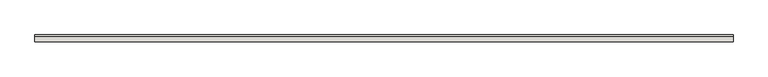
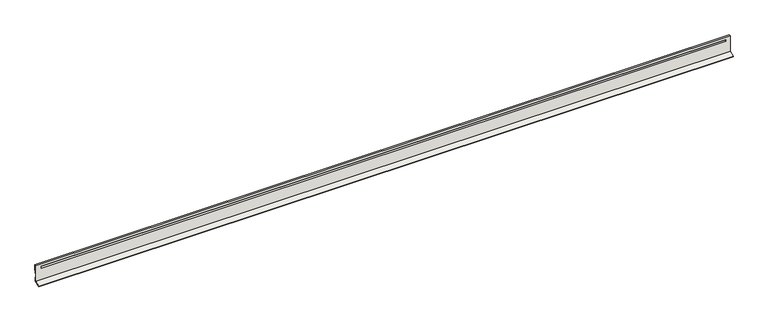
"""IFC4 building model written with IfcOpenShell, lengths in millimetres: wall geometry."""

from ifc_helpers import new_model, si_unit, origin, place, context, project, spatial, faceted_brep, source, transform, mapped, element, save


def wall_bc021bc2(model_context):
    return source(origin(), model_context, "Body", "Brep", [
        faceted_brep([(56541.7544752, 123881.2581237, 14954.3809416), (56541.7866735, 123859.3282852, 14717.3740882), (56541.794657, 123818.1797969, 14658.6079572), (56541.8422107, 123836.5243825, 14308.5724159), (56541.8585699, 123868.7902507, 14188.1545574), (56541.8772214, 123491.5850031, 14050.8630763), (56541.8704287, 123482.7686541, 14100.8630758), (56541.8552303, 123790.1388803, 14212.736688), (56541.7219682, 123790.1388803, 15193.6605164), (56541.7219682, 123881.2581237, 15193.6605164), (97880.3258361, 123491.5850031, 14056.4790556), (97880.3071845, 123868.7902507, 14193.7705367), (97880.2908253, 123836.5243825, 14314.1883952), (97880.2432717, 123818.1797969, 14664.2239365), (97880.2352881, 123859.3282852, 14722.9900675), (97880.2030899, 123881.2581237, 14959.9969209), (97880.1705829, 123881.2581237, 15199.2764956), (97880.1705829, 123790.1388803, 15199.2764956), (97880.303845, 123790.1388803, 14218.3526673), (97880.3190434, 123482.7686541, 14106.4790551), (56863.441328, 123881.2581237, 14954.424644), (97615.9681797, 123881.2581237, 14959.9610235), (56863.441328, 123790.1388803, 15043.3648953), (97615.9681797, 123790.1388803, 15048.9012749), (97615.9681797, 123790.1388803, 14948.0506052), (56863.441328, 123790.1388803, 14942.5142255), (97615.9681797, 123881.2581237, 15060.8116933), (56863.441328, 123881.2581237, 15055.2753136)], [[[0, 1, 2, 3, 4, 5, 6, 7, 8, 9]], [[10, 11, 12, 13, 14, 15, 16, 17, 18, 19]], [[1, 0, 20, 21, 15, 14]], [[2, 1, 14, 13]], [[3, 2, 13, 12]], [[4, 3, 12, 11]], [[5, 4, 11, 10]], [[7, 6, 19, 18]], [[8, 7, 18, 17], [22, 23, 24, 25]], [[9, 8, 17, 16]], [[0, 9, 16, 15, 21, 26, 27, 20]], [[6, 5, 10, 19]], [[26, 23, 22, 27]], [[20, 25, 24, 21]], [[27, 22, 25, 20]], [[23, 26, 21, 24]]]),
    ])


if __name__ == "__main__":
    model = new_model("IFC4")
    model_context = context("Model", 3, world=origin())
    ifc_project = project(units=[si_unit("LENGTHUNIT", "METRE", prefix="MILLI")], contexts=[model_context])
    site = spatial("IfcSite", under=ifc_project)
    building = spatial("IfcBuilding", under=site)
    placement = place(None, origin())
    wall_shape = wall_bc021bc2(model_context)
    element("IfcWall", 1, at=placement, inside=building, context=model_context, shape_type="MappedRepresentation", body=[
        mapped(wall_shape, transform((0.0, 0.0, 0.0), x_axis=(1.0, 0.0, 0.0), y_axis=(0.0, 1.0, 0.0), z_axis=(0.0, 0.0, 1.0))),
    ])
    save(model, "model.ifc")
